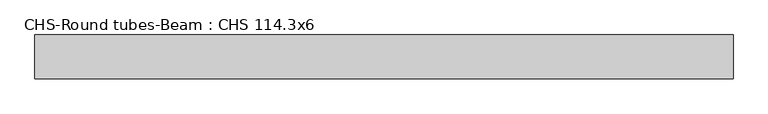
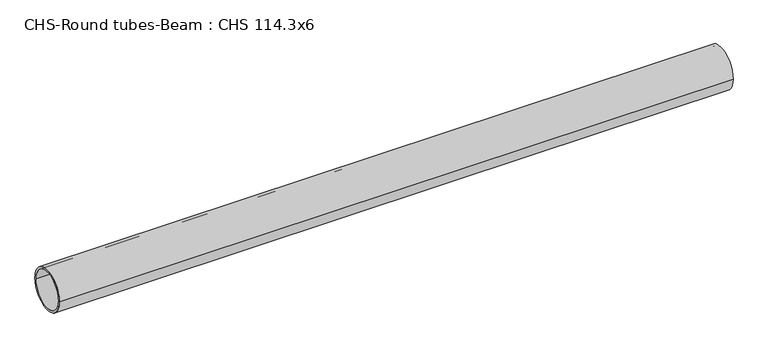
"""IFC4 building model written with IfcOpenShell, lengths in millimetres: beam geometry, CHS-Round tubes-Beam : CHS 114.3x6."""

from ifc_helpers import new_model, si_unit, point, frame, origin, origin_2d, place, context, project, spatial, circle_curve, trimmed, segment, composite_curve, outline, extrude, source, transform, mapped, element, save


def chs_round_tubes_beam_chs_114_3x6_e70700f7(model_context):
    return source(origin(), model_context, "Body", "SweptSolid", [
        extrude(outline(composite_curve([segment(trimmed(circle_curve(origin_2d(), 57.15), [point((57.15, 0.0))], [point((-57.15, 0.0))], False, "CARTESIAN"), True, "CONTINUOUS"), segment(trimmed(circle_curve(origin_2d(), 57.15), [point((-57.15, 0.0))], [point((57.15, 0.0))], False, "CARTESIAN"), True, "CONTINUOUS")], self_intersect=False), holes=[composite_curve([segment(trimmed(circle_curve(origin_2d(), 51.15), [point((51.15, 0.0))], [point((-51.15, 0.0))], True, "CARTESIAN"), True, "CONTINUOUS"), segment(trimmed(circle_curve(origin_2d(), 51.15), [point((-51.15, 0.0))], [point((51.15, 0.0))], True, "CARTESIAN"), True, "CONTINUOUS")], self_intersect=False)]), frame((-864.9286624, 0.0, 0.0), z_axis=(1.0, 0.0, 0.0), x_axis=(0.0, 1.0, 0.0)), (0.0, 0.0, 1.0), 1819.3761062),
    ])


if __name__ == "__main__":
    model = new_model("IFC4")
    model_context = context("Model", 3, world=origin())
    ifc_project = project(units=[si_unit("LENGTHUNIT", "METRE", prefix="MILLI")], contexts=[model_context])
    site = spatial("IfcSite", under=ifc_project)
    building = spatial("IfcBuilding", under=site)
    placement = place(None, origin())
    chs_round_tubes_beam_chs_114_3x6_shape = chs_round_tubes_beam_chs_114_3x6_e70700f7(model_context)
    element("IfcBeam", 1, ObjectType="CHS-Round tubes-Beam : CHS 114.3x6", at=placement, inside=building, context=model_context, shape_type="MappedRepresentation", body=[
        mapped(chs_round_tubes_beam_chs_114_3x6_shape, transform((0.0, 0.0, 0.0), x_axis=(1.0, 0.0, 0.0), y_axis=(0.0, 1.0, 0.0), z_axis=(0.0, 0.0, 1.0))),
    ])
    save(model, "model.ifc")
